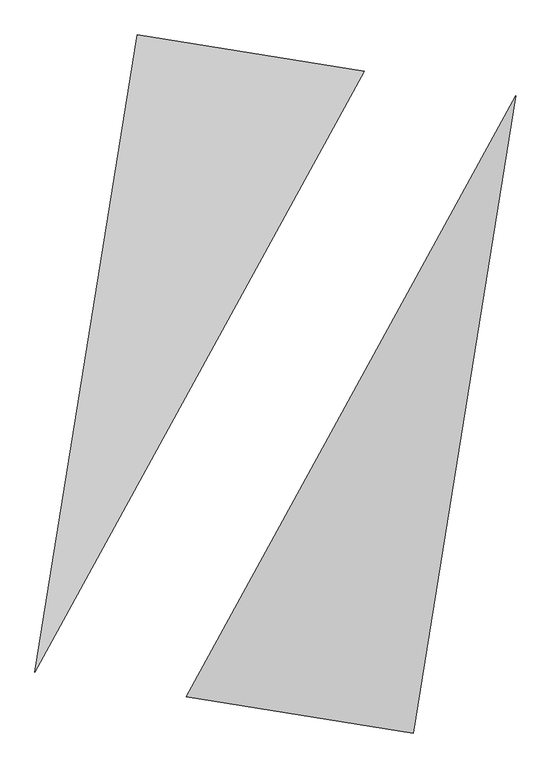
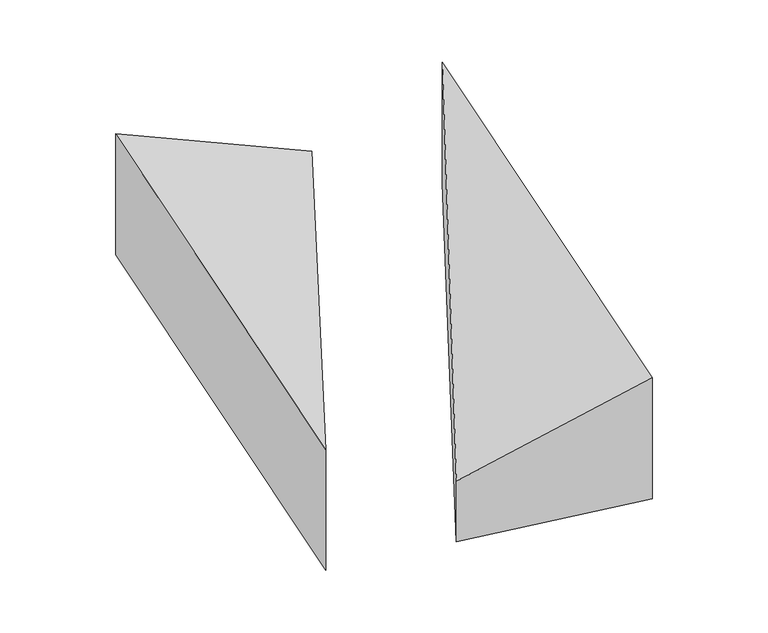
"""IFC4 building model written with IfcOpenShell, lengths in millimetres: proxy geometry."""

from ifc_helpers import new_model, si_unit, origin, place, context, project, spatial, faceted_brep, source, transform, mapped, element, save


def generic_models_f498bf78(model_context):
    return source(origin(), model_context, "Body", "Brep", [
        faceted_brep([(551.0246596, 1937.2088361, 0.0), (-856.0170022, 2162.7277087, 0.0), (-856.0170022, 2162.7277087, 1000.0), (551.0246596, 1937.2088361, 500.0), (-1489.0524341, -1786.862921, 0.0), (-1489.0524341, -1786.862921, 1000.0)], [[[0, 1, 2, 3]], [[1, 4, 5, 2]], [[4, 0, 3, 5]], [[3, 2, 5]], [[0, 4, 1]]]),
        faceted_brep([(856.0170022, -2162.7277087, 0.0), (1489.0524341, 1786.862921, 0.0), (1489.0524341, 1786.862921, 1000.0), (856.0170022, -2162.7277087, 1000.0), (-551.0246596, -1937.2088361, 0.0), (-551.0246596, -1937.2088361, 500.0)], [[[0, 1, 2, 3]], [[1, 4, 5, 2]], [[4, 0, 3, 5]], [[2, 5, 3]], [[0, 4, 1]]]),
    ])


if __name__ == "__main__":
    model = new_model("IFC4")
    model_context = context("Model", 3, world=origin())
    ifc_project = project(units=[si_unit("LENGTHUNIT", "METRE", prefix="MILLI")], contexts=[model_context])
    site = spatial("IfcSite", under=ifc_project)
    building = spatial("IfcBuilding", under=site)
    placement = place(None, origin())
    generic_models_shape = generic_models_f498bf78(model_context)
    element("IfcBuildingElementProxy", 1, Name="Generic Models", at=placement, inside=building, context=model_context, shape_type="MappedRepresentation", body=[
        mapped(generic_models_shape, transform((0.0, 0.0, 0.0), x_axis=(1.0, 0.0, 0.0), y_axis=(0.0, 1.0, 0.0), z_axis=(0.0, 0.0, 1.0))),
    ])
    save(model, "model.ifc")
